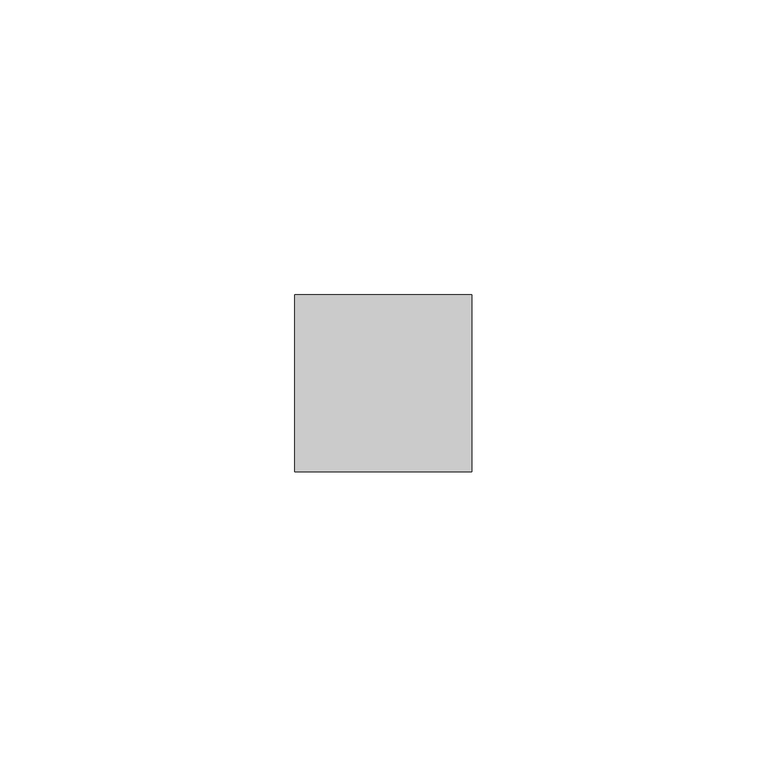
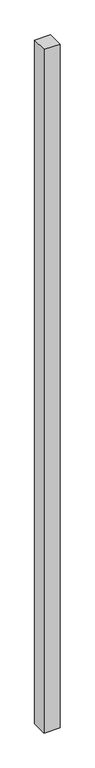
"""IFC4 building model written with IfcOpenShell, lengths in millimetres: member geometry."""

import ifcopenshell
import ifcopenshell.guid

model = None  # the IFC model being written
_history = None  # IfcOwnerHistory: only IFC2X3 demands one
_inside = {}  # id of a spatial element -> (the spatial element, [elements in it])
_under = {}  # id of a project, library or spatial element -> (it, [spatial elements below it])
_declared = {}  # id of a project -> (the project, [libraries it declares])
_typed = {}  # id of a type object -> (the type object, [elements of that type])
_made_of = {}  # id of a material, layer set ... -> (it, [elements and type objects made of it])


def new_model(schema):
    """Start an empty IFC model of exactly this schema.

    Asked for "IFC4X3", IfcOpenShell would pick the latest addendum, in which some entities
    have other attributes; the version numbers below select the first issue.
    IFC2X3 requires an IfcOwnerHistory on every rooted entity: one is made here for all.
    """
    global model, _history
    if schema == "IFC4X3":
        model = ifcopenshell.file(schema_version=(4, 3, 0, 0))
    else:
        model = ifcopenshell.file(schema=schema)
    _inside.clear()
    _under.clear()
    _declared.clear()
    _typed.clear()
    _made_of.clear()
    _history = None
    if model.schema == "IFC2X3":
        org = make("IfcOrganization", Name="unknown")
        user = make(
            "IfcPersonAndOrganization",
            ThePerson=make("IfcPerson", FamilyName="unknown"),
            TheOrganization=org,
        )
        app = make(
            "IfcApplication",
            ApplicationDeveloper=org,
            Version="unknown",
            ApplicationFullName="unknown",
            ApplicationIdentifier="unknown",
        )
        _history = make(
            "IfcOwnerHistory",
            OwningUser=user,
            OwningApplication=app,
            ChangeAction="ADDED",
            CreationDate=0,
        )
    return model


def make(cls, **values):
    """One entity of the class cls with the attributes given. An attribute that is None is left unset."""
    return model.create_entity(
        cls, **{name: value for name, value in values.items() if value is not None}
    )


def rooted(cls, **values):
    """An entity with a GlobalId (a new one), such as an element, a storey or a relation."""
    return make(cls, GlobalId=ifcopenshell.guid.new(), OwnerHistory=_history, **values)


def si_unit(unit_type, name, prefix=None):
    """IfcSIUnit, for example si_unit("LENGTHUNIT", "METRE", prefix="MILLI")."""
    return make("IfcSIUnit", UnitType=unit_type, Prefix=prefix, Name=name)


def assignment(units):
    """IfcUnitAssignment: the units of a project."""
    return None if units is None else make("IfcUnitAssignment", Units=units)


def point(xyz):
    """IfcCartesianPoint."""
    return None if xyz is None else make("IfcCartesianPoint", Coordinates=xyz)


def direction(xyz):
    """IfcDirection."""
    return None if xyz is None else make("IfcDirection", DirectionRatios=xyz)


def frame(location, z_axis=None, x_axis=None):
    """IfcAxis2Placement3D, a coordinate frame: its origin and axes. An axis left out is left unset."""
    return make(
        "IfcAxis2Placement3D",
        Location=point(location),
        Axis=direction(z_axis),
        RefDirection=direction(x_axis),
    )


def origin():
    """The frame at (0, 0, 0) with its axes left unset."""
    return frame((0.0, 0.0, 0.0))


def place(relative_to, where):
    """IfcLocalPlacement: puts the frame where relative to a parent placement (None: the world)."""
    return make(
        "IfcLocalPlacement", PlacementRelTo=relative_to, RelativePlacement=where
    )


def context(
    kind, dimensions, precision=None, world=None, true_north=None, identifier=None
):
    """IfcGeometricRepresentationContext, for example the 3D "Model" context."""
    return make(
        "IfcGeometricRepresentationContext",
        ContextIdentifier=identifier,
        ContextType=kind,
        CoordinateSpaceDimension=dimensions,
        Precision=precision,
        WorldCoordinateSystem=world,
        TrueNorth=true_north,
    )


def project(units=None, contexts=None):
    """IfcProject with its units and contexts."""
    return rooted(
        "IfcProject",
        Name="project",
        RepresentationContexts=contexts,
        UnitsInContext=assignment(units),
    )


def spatial(cls, under=None, at=None, **own):
    """A site, building, storey or space (cls), placed at a placement, below another one or the project."""
    s = rooted(cls, ObjectPlacement=at, **own)
    if under is not None:
        _under.setdefault(under.id(), (under, []))[1].append(s)
    return s


def polyline(points):
    """IfcPolyline through the points."""
    return make("IfcPolyline", Points=[point(p) for p in points])


def outline(outer, holes=None, kind="AREA"):
    """IfcArbitraryClosedProfileDef: a profile drawn as a closed curve; with holes, ...WithVoids."""
    if holes is None:
        return make("IfcArbitraryClosedProfileDef", ProfileType=kind, OuterCurve=outer)
    return make(
        "IfcArbitraryProfileDefWithVoids",
        ProfileType=kind,
        OuterCurve=outer,
        InnerCurves=holes,
    )


def extrude(swept, where, along, depth):
    """IfcExtrudedAreaSolid: the profile swept, set in the frame where, extruded along a direction by depth."""
    return make(
        "IfcExtrudedAreaSolid",
        SweptArea=swept,
        Position=where,
        ExtrudedDirection=direction(along),
        Depth=depth,
    )


def shape(context_of_items, identifier, shape_type, items):
    """IfcShapeRepresentation: the items that make up one representation, for example the "Body"."""
    return make(
        "IfcShapeRepresentation",
        ContextOfItems=context_of_items,
        RepresentationIdentifier=identifier,
        RepresentationType=shape_type,
        Items=items,
    )


def source(mapping_origin, context_of_items, identifier, shape_type, items):
    """IfcRepresentationMap: a shape defined once, which mapped items show again and again."""
    return make(
        "IfcRepresentationMap",
        MappingOrigin=mapping_origin,
        MappedRepresentation=shape(context_of_items, identifier, shape_type, items),
    )


def transform(
    local_origin,
    x_axis=None,
    y_axis=None,
    z_axis=None,
    scale=None,
    scale2=None,
    scale3=None,
    uniform=True,
):
    """IfcCartesianTransformationOperator3D, or its non-uniform kind. x_axis, y_axis, z_axis: its Axis1, 2, 3."""
    if uniform:
        return make(
            "IfcCartesianTransformationOperator3D",
            Axis1=direction(x_axis),
            Axis2=direction(y_axis),
            LocalOrigin=point(local_origin),
            Scale=scale,
            Axis3=direction(z_axis),
        )
    return make(
        "IfcCartesianTransformationOperator3DnonUniform",
        Axis1=direction(x_axis),
        Axis2=direction(y_axis),
        LocalOrigin=point(local_origin),
        Scale=scale,
        Axis3=direction(z_axis),
        Scale2=scale2,
        Scale3=scale3,
    )


def mapped(mapping_source, mapping_target):
    """IfcMappedItem: shows the shape of a source again, moved by a transform."""
    return make(
        "IfcMappedItem", MappingSource=mapping_source, MappingTarget=mapping_target
    )


def made_of(thing, what):
    """Note that an element or type object is made of a material, layer set ...; save() writes the relation."""
    if what is not None:
        _made_of.setdefault(what.id(), (what, []))[1].append(thing)
    return thing


def element(
    cls,
    number,
    at=None,
    inside=None,
    cuts=None,
    type_object=None,
    material=None,
    context=None,
    identifier="Body",
    shape_type=None,
    held_by="IfcProductDefinitionShape",
    body=None,
    shapes=None,
    **own,
):
    """One element of the class cls, such as IfcWall. Its Tag is "e" and its number.

    at: its placement. inside: the storey or other place that contains it. cuts: it is an
    opening in that element (IfcRelVoidsElement). A single representation is given by context,
    identifier, shape_type and body (its items); several are given by shapes. held_by: the class
    of the entity that holds the representations. save() writes the other relations.
    """
    e = rooted(cls, Tag="e%d" % number, ObjectPlacement=at, **own)
    if body is not None:
        shapes = [shape(context, identifier, shape_type, body)]
    if shapes is not None:
        e.Representation = make(held_by, Representations=shapes)
    if inside is not None:
        _inside.setdefault(inside.id(), (inside, []))[1].append(e)
    if cuts is not None:
        rooted(
            "IfcRelVoidsElement", RelatingBuildingElement=cuts, RelatedOpeningElement=e
        )
    if type_object is not None:
        _typed.setdefault(type_object.id(), (type_object, []))[1].append(e)
    return made_of(e, material)


def aggregate(whole, parts):
    """IfcRelAggregates: a whole, such as a stair, and the parts it consists of."""
    return rooted("IfcRelAggregates", RelatingObject=whole, RelatedObjects=parts)


def save(model, path):
    """Write the relations noted so far, then the file.

    IfcRelAggregates (storeys below a building ...), IfcRelContainedInSpatialStructure (elements
    in a storey), IfcRelDefinesByType, IfcRelAssociatesMaterial and IfcRelDeclares: one each for
    every whole, place, type object, material and project.
    """
    for whole, parts in _under.values():
        aggregate(whole, parts)
    for where, things in _inside.values():
        rooted(
            "IfcRelContainedInSpatialStructure",
            RelatedElements=things,
            RelatingStructure=where,
        )
    for kind, things in _typed.values():
        rooted("IfcRelDefinesByType", RelatedObjects=things, RelatingType=kind)
    for what, things in _made_of.values():
        rooted("IfcRelAssociatesMaterial", RelatedObjects=things, RelatingMaterial=what)
    for by, libraries in _declared.values():
        rooted("IfcRelDeclares", RelatingContext=by, RelatedDefinitions=libraries)
    model.write(path)


def member_0b37791c(model_context):
    return source(origin(), model_context, "Body", "SweptSolid", [
        extrude(outline(polyline([(15.0, 15.0), (15.0, -15.0), (-15.0, -15.0), (-15.0, 15.0), (15.0, 15.0)])), frame((0.0, 0.0, -1352.5), z_axis=(0.0, 0.0, 1.0), x_axis=(1.0, 0.0, 0.0)), (0.0, 0.0, 1.0), 1352.5),
    ])


if __name__ == "__main__":
    model = new_model("IFC4")
    model_context = context("Model", 3, world=origin())
    ifc_project = project(units=[si_unit("LENGTHUNIT", "METRE", prefix="MILLI")], contexts=[model_context])
    site = spatial("IfcSite", under=ifc_project)
    building = spatial("IfcBuilding", under=site)
    placement = place(None, origin())
    member_shape = member_0b37791c(model_context)
    element("IfcMember", 1, at=placement, inside=building, context=model_context, shape_type="MappedRepresentation", body=[
        mapped(member_shape, transform((0.0, 0.0, 0.0), x_axis=(1.0, 0.0, 0.0), y_axis=(0.0, 1.0, 0.0), z_axis=(0.0, 0.0, 1.0))),
    ])
    save(model, "model.ifc")
